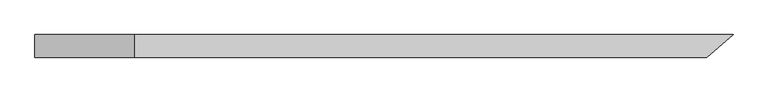
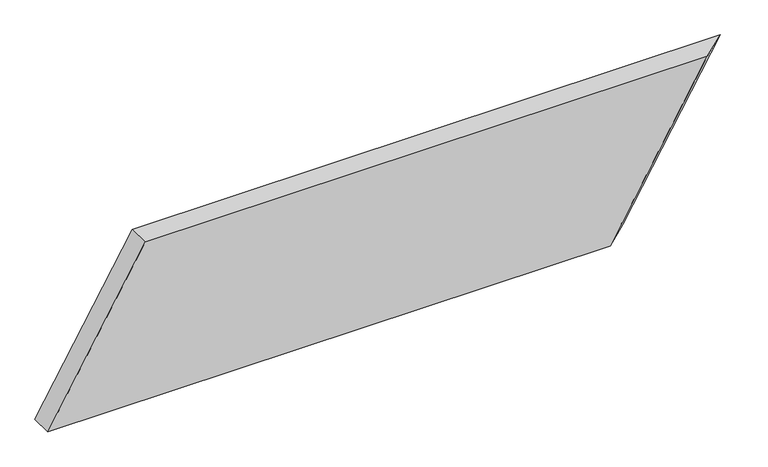
"""IFC4 building model written with IfcOpenShell, lengths in millimetres: beam geometry."""

from ifc_helpers import new_model, si_unit, origin, place, context, project, spatial, faceted_brep, source, transform, mapped, element, save


def beam_ddeaf3fa(model_context):
    return source(origin(), model_context, "Body", "Brep", [
        faceted_brep([(554.076748, -19.05, 142.875), (-409.4435028, -19.05, 142.875), (-576.1310028, -19.05, -142.875), (387.389248, -19.05, -142.875), (598.1852577, 19.05, 142.875), (431.4977577, 19.05, -142.875), (-576.1310028, 19.05, -142.875), (-409.4435028, 19.05, 142.875)], [[[0, 1, 2, 3]], [[4, 5, 6, 7]], [[5, 4, 0, 3]], [[6, 5, 3, 2]], [[7, 6, 2, 1]], [[4, 7, 1, 0]]]),
    ])


if __name__ == "__main__":
    model = new_model("IFC4")
    model_context = context("Model", 3, world=origin())
    ifc_project = project(units=[si_unit("LENGTHUNIT", "METRE", prefix="MILLI")], contexts=[model_context])
    site = spatial("IfcSite", under=ifc_project)
    building = spatial("IfcBuilding", under=site)
    placement = place(None, origin())
    beam_shape = beam_ddeaf3fa(model_context)
    element("IfcBeam", 1, at=placement, inside=building, context=model_context, shape_type="MappedRepresentation", body=[
        mapped(beam_shape, transform((0.0, 0.0, 0.0), x_axis=(1.0, 0.0, 0.0), y_axis=(0.0, 1.0, 0.0), z_axis=(0.0, 0.0, 1.0))),
    ])
    save(model, "model.ifc")
